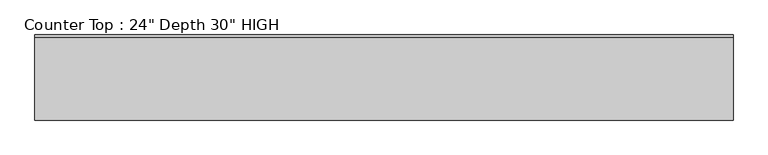
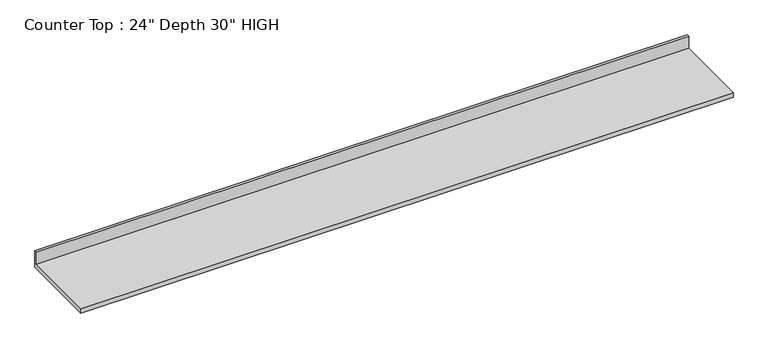
"""IFC4 building model written with IfcOpenShell, lengths in millimetres: furniture geometry."""

from ifc_helpers import new_model, si_unit, frame, origin, place, context, project, spatial, polyline, outline, extrude, source, transform, mapped, element, save


def furniture_b96a1be6(model_context):
    return source(origin(), model_context, "Body", "SweptSolid", [
        extrude(outline(polyline([(0.0, 965.2), (0.0, 825.5), (-635.0, 825.5), (-635.0, 863.6), (-19.05, 863.6), (-19.05, 965.2), (0.0, 965.2)])), frame((-1200.4622951, 0.0, 0.0), z_axis=(1.0, 0.0, 0.0), x_axis=(0.0, 1.0, 0.0)), (0.0, 0.0, 1.0), 5207.0),
    ])


if __name__ == "__main__":
    model = new_model("IFC4")
    model_context = context("Model", 3, world=origin())
    ifc_project = project(units=[si_unit("LENGTHUNIT", "METRE", prefix="MILLI")], contexts=[model_context])
    site = spatial("IfcSite", under=ifc_project)
    building = spatial("IfcBuilding", under=site)
    placement = place(None, origin())
    furniture_shape = furniture_b96a1be6(model_context)
    element("IfcFurniture", 1, ObjectType="Counter Top : 24\" Depth 30\" HIGH", at=placement, inside=building, context=model_context, shape_type="MappedRepresentation", body=[
        mapped(furniture_shape, transform((0.0, 0.0, 0.0), x_axis=(1.0, 0.0, 0.0), y_axis=(0.0, 1.0, 0.0), z_axis=(0.0, 0.0, 1.0))),
    ])
    save(model, "model.ifc")
